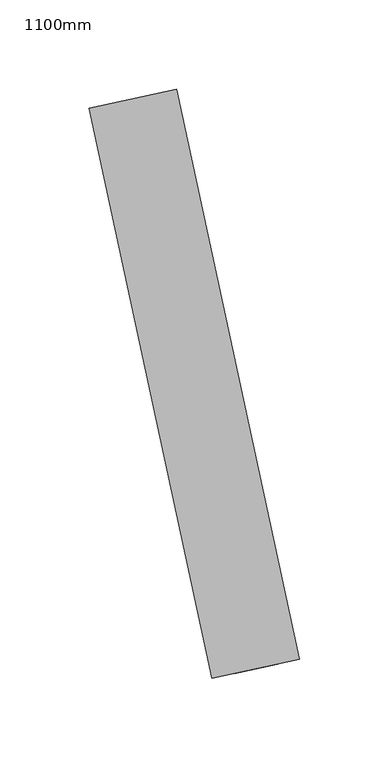
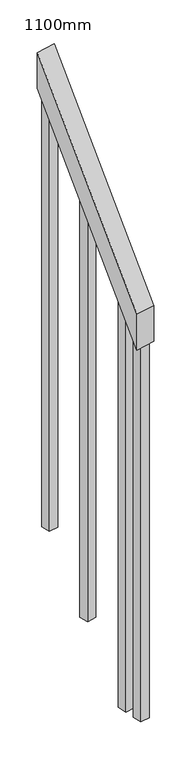
"""IFC4 building model written with IfcOpenShell, lengths in millimetres: railing geometry, 1100mm."""

from ifc_helpers import new_model, si_unit, frame, origin, place, context, project, spatial, polyline, outline, extrude, source, transform, mapped, element, save


def railing_1100mm_2e3eda76(model_context):
    return source(origin(), model_context, "Body", "SweptSolid", [
        extrude(outline(polyline([(-81.8697299, -50.0), (0.0, 0.0), (624.9307371, 1e-07), (543.0610072, -50.0), (-81.8697299, -50.0)])), frame((-11422.7902844, -114062.0305668, 1277.7777778), z_axis=(0.9775195689645826, 0.21084471131924742, 0.0), x_axis=(-0.10989456156956286, 0.5094938534852613, 0.8534279106041546)), (0.0, 0.0, 1.0), 50.0),
        extrude(outline(polyline([(1260.1997988, -25.0), (120.4674325, -25.0), (79.5325675, 0.0), (1260.1997988, 0.0), (1260.1997988, -25.0)])), frame((-11479.0958209, -113741.701148, 1793.5331321), z_axis=(0.9775195689645827, 0.21084471131924748, 0.0), x_axis=(0.0, 0.0, -1.0)), (0.0, 0.0, 1.0), 25.0),
        extrude(outline(polyline([(1233.3032518, -25.0000001), (120.4674325, -25.0000001), (79.5325675, 0.0), (1233.3032518, 0.0), (1233.3032518, -25.0000001)])), frame((-11452.740232, -113863.8910941, 1588.8588074), z_axis=(0.9775195689645827, 0.21084471131924748, 0.0), x_axis=(0.0, 0.0, -1.0)), (0.0, 0.0, 1.0), 25.0),
        extrude(outline(polyline([(1206.4067049, -25.0), (120.4674325, -25.0), (79.5325676, 0.0), (1206.4067049, 0.0), (1206.4067049, -25.0)])), frame((-11426.3846431, -113986.0810403, 1384.1844827), z_axis=(0.9775195689645827, 0.21084471131924748, 0.0), x_axis=(0.0, 0.0, -1.0)), (0.0, 0.0, 1.0), 25.0),
        extrude(outline(polyline([(1261.3798879, -25.0), (120.4674325, -25.0), (79.5325676, 0.0), (1261.3798879, 0.0), (1261.3798879, -25.0)])), frame((-11479.2477791, -113740.9966385, 1794.7132212), z_axis=(0.9775195689645827, 0.21084471131924748, 0.0), x_axis=(0.0, 0.0, -1.0)), (0.0, 0.0, 1.0), 25.0),
        extrude(outline(polyline([(1124.536975, -25.0), (120.4674325, -25.0), (79.5325676, 0.0), (1124.536975, 0.0), (1124.536975, -25.0)])), frame((-11415.8424075, -114034.9570187, 1302.3147528), z_axis=(0.9775195689645827, 0.21084471131924748, 0.0), x_axis=(0.0, 0.0, -1.0)), (0.0, 0.0, 1.0), 25.0),
    ])


if __name__ == "__main__":
    model = new_model("IFC4")
    model_context = context("Model", 3, world=origin())
    ifc_project = project(units=[si_unit("LENGTHUNIT", "METRE", prefix="MILLI")], contexts=[model_context])
    site = spatial("IfcSite", under=ifc_project)
    building = spatial("IfcBuilding", under=site)
    placement = place(None, origin())
    railing_1100mm_shape = railing_1100mm_2e3eda76(model_context)
    element("IfcRailing", 1, ObjectType="1100mm", at=placement, inside=building, context=model_context, shape_type="MappedRepresentation", body=[
        mapped(railing_1100mm_shape, transform((0.0, 0.0, 0.0), x_axis=(1.0, 0.0, 0.0), y_axis=(0.0, 1.0, 0.0), z_axis=(0.0, 0.0, 1.0))),
    ])
    save(model, "model.ifc")
